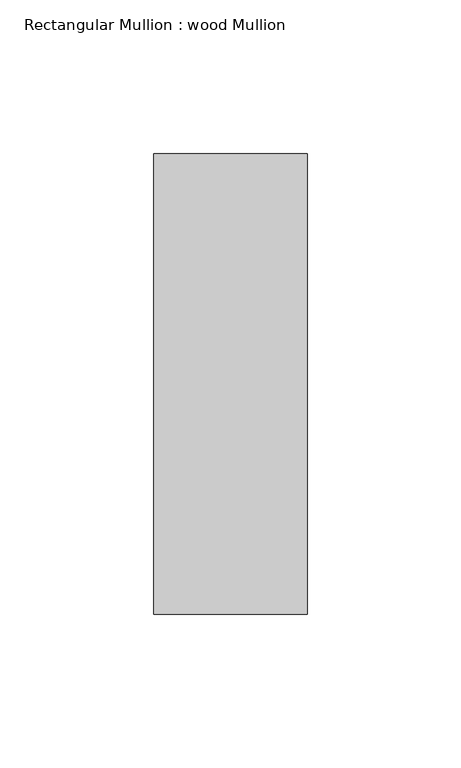
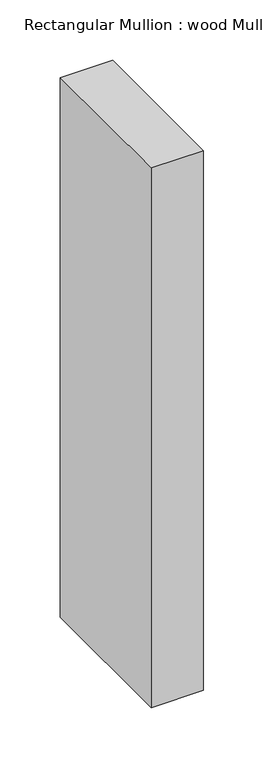
"""IFC4 building model written with IfcOpenShell, lengths in millimetres: member geometry, Rectangular Mullion : wood Mullion."""

import ifcopenshell
import ifcopenshell.guid

model = None  # the IFC model being written
_history = None  # IfcOwnerHistory: only IFC2X3 demands one
_inside = {}  # id of a spatial element -> (the spatial element, [elements in it])
_under = {}  # id of a project, library or spatial element -> (it, [spatial elements below it])
_declared = {}  # id of a project -> (the project, [libraries it declares])
_typed = {}  # id of a type object -> (the type object, [elements of that type])
_made_of = {}  # id of a material, layer set ... -> (it, [elements and type objects made of it])


def new_model(schema):
    """Start an empty IFC model of exactly this schema.

    Asked for "IFC4X3", IfcOpenShell would pick the latest addendum, in which some entities
    have other attributes; the version numbers below select the first issue.
    IFC2X3 requires an IfcOwnerHistory on every rooted entity: one is made here for all.
    """
    global model, _history
    if schema == "IFC4X3":
        model = ifcopenshell.file(schema_version=(4, 3, 0, 0))
    else:
        model = ifcopenshell.file(schema=schema)
    _inside.clear()
    _under.clear()
    _declared.clear()
    _typed.clear()
    _made_of.clear()
    _history = None
    if model.schema == "IFC2X3":
        org = make("IfcOrganization", Name="unknown")
        user = make(
            "IfcPersonAndOrganization",
            ThePerson=make("IfcPerson", FamilyName="unknown"),
            TheOrganization=org,
        )
        app = make(
            "IfcApplication",
            ApplicationDeveloper=org,
            Version="unknown",
            ApplicationFullName="unknown",
            ApplicationIdentifier="unknown",
        )
        _history = make(
            "IfcOwnerHistory",
            OwningUser=user,
            OwningApplication=app,
            ChangeAction="ADDED",
            CreationDate=0,
        )
    return model


def make(cls, **values):
    """One entity of the class cls with the attributes given. An attribute that is None is left unset."""
    return model.create_entity(
        cls, **{name: value for name, value in values.items() if value is not None}
    )


def rooted(cls, **values):
    """An entity with a GlobalId (a new one), such as an element, a storey or a relation."""
    return make(cls, GlobalId=ifcopenshell.guid.new(), OwnerHistory=_history, **values)


def si_unit(unit_type, name, prefix=None):
    """IfcSIUnit, for example si_unit("LENGTHUNIT", "METRE", prefix="MILLI")."""
    return make("IfcSIUnit", UnitType=unit_type, Prefix=prefix, Name=name)


def assignment(units):
    """IfcUnitAssignment: the units of a project."""
    return None if units is None else make("IfcUnitAssignment", Units=units)


def point(xyz):
    """IfcCartesianPoint."""
    return None if xyz is None else make("IfcCartesianPoint", Coordinates=xyz)


def direction(xyz):
    """IfcDirection."""
    return None if xyz is None else make("IfcDirection", DirectionRatios=xyz)


def frame(location, z_axis=None, x_axis=None):
    """IfcAxis2Placement3D, a coordinate frame: its origin and axes. An axis left out is left unset."""
    return make(
        "IfcAxis2Placement3D",
        Location=point(location),
        Axis=direction(z_axis),
        RefDirection=direction(x_axis),
    )


def origin():
    """The frame at (0, 0, 0) with its axes left unset."""
    return frame((0.0, 0.0, 0.0))


def place(relative_to, where):
    """IfcLocalPlacement: puts the frame where relative to a parent placement (None: the world)."""
    return make(
        "IfcLocalPlacement", PlacementRelTo=relative_to, RelativePlacement=where
    )


def context(
    kind, dimensions, precision=None, world=None, true_north=None, identifier=None
):
    """IfcGeometricRepresentationContext, for example the 3D "Model" context."""
    return make(
        "IfcGeometricRepresentationContext",
        ContextIdentifier=identifier,
        ContextType=kind,
        CoordinateSpaceDimension=dimensions,
        Precision=precision,
        WorldCoordinateSystem=world,
        TrueNorth=true_north,
    )


def project(units=None, contexts=None):
    """IfcProject with its units and contexts."""
    return rooted(
        "IfcProject",
        Name="project",
        RepresentationContexts=contexts,
        UnitsInContext=assignment(units),
    )


def spatial(cls, under=None, at=None, **own):
    """A site, building, storey or space (cls), placed at a placement, below another one or the project."""
    s = rooted(cls, ObjectPlacement=at, **own)
    if under is not None:
        _under.setdefault(under.id(), (under, []))[1].append(s)
    return s


def polyline(points):
    """IfcPolyline through the points."""
    return make("IfcPolyline", Points=[point(p) for p in points])


def outline(outer, holes=None, kind="AREA"):
    """IfcArbitraryClosedProfileDef: a profile drawn as a closed curve; with holes, ...WithVoids."""
    if holes is None:
        return make("IfcArbitraryClosedProfileDef", ProfileType=kind, OuterCurve=outer)
    return make(
        "IfcArbitraryProfileDefWithVoids",
        ProfileType=kind,
        OuterCurve=outer,
        InnerCurves=holes,
    )


def extrude(swept, where, along, depth):
    """IfcExtrudedAreaSolid: the profile swept, set in the frame where, extruded along a direction by depth."""
    return make(
        "IfcExtrudedAreaSolid",
        SweptArea=swept,
        Position=where,
        ExtrudedDirection=direction(along),
        Depth=depth,
    )


def shape(context_of_items, identifier, shape_type, items):
    """IfcShapeRepresentation: the items that make up one representation, for example the "Body"."""
    return make(
        "IfcShapeRepresentation",
        ContextOfItems=context_of_items,
        RepresentationIdentifier=identifier,
        RepresentationType=shape_type,
        Items=items,
    )


def source(mapping_origin, context_of_items, identifier, shape_type, items):
    """IfcRepresentationMap: a shape defined once, which mapped items show again and again."""
    return make(
        "IfcRepresentationMap",
        MappingOrigin=mapping_origin,
        MappedRepresentation=shape(context_of_items, identifier, shape_type, items),
    )


def transform(
    local_origin,
    x_axis=None,
    y_axis=None,
    z_axis=None,
    scale=None,
    scale2=None,
    scale3=None,
    uniform=True,
):
    """IfcCartesianTransformationOperator3D, or its non-uniform kind. x_axis, y_axis, z_axis: its Axis1, 2, 3."""
    if uniform:
        return make(
            "IfcCartesianTransformationOperator3D",
            Axis1=direction(x_axis),
            Axis2=direction(y_axis),
            LocalOrigin=point(local_origin),
            Scale=scale,
            Axis3=direction(z_axis),
        )
    return make(
        "IfcCartesianTransformationOperator3DnonUniform",
        Axis1=direction(x_axis),
        Axis2=direction(y_axis),
        LocalOrigin=point(local_origin),
        Scale=scale,
        Axis3=direction(z_axis),
        Scale2=scale2,
        Scale3=scale3,
    )


def mapped(mapping_source, mapping_target):
    """IfcMappedItem: shows the shape of a source again, moved by a transform."""
    return make(
        "IfcMappedItem", MappingSource=mapping_source, MappingTarget=mapping_target
    )


def made_of(thing, what):
    """Note that an element or type object is made of a material, layer set ...; save() writes the relation."""
    if what is not None:
        _made_of.setdefault(what.id(), (what, []))[1].append(thing)
    return thing


def element(
    cls,
    number,
    at=None,
    inside=None,
    cuts=None,
    type_object=None,
    material=None,
    context=None,
    identifier="Body",
    shape_type=None,
    held_by="IfcProductDefinitionShape",
    body=None,
    shapes=None,
    **own,
):
    """One element of the class cls, such as IfcWall. Its Tag is "e" and its number.

    at: its placement. inside: the storey or other place that contains it. cuts: it is an
    opening in that element (IfcRelVoidsElement). A single representation is given by context,
    identifier, shape_type and body (its items); several are given by shapes. held_by: the class
    of the entity that holds the representations. save() writes the other relations.
    """
    e = rooted(cls, Tag="e%d" % number, ObjectPlacement=at, **own)
    if body is not None:
        shapes = [shape(context, identifier, shape_type, body)]
    if shapes is not None:
        e.Representation = make(held_by, Representations=shapes)
    if inside is not None:
        _inside.setdefault(inside.id(), (inside, []))[1].append(e)
    if cuts is not None:
        rooted(
            "IfcRelVoidsElement", RelatingBuildingElement=cuts, RelatedOpeningElement=e
        )
    if type_object is not None:
        _typed.setdefault(type_object.id(), (type_object, []))[1].append(e)
    return made_of(e, material)


def aggregate(whole, parts):
    """IfcRelAggregates: a whole, such as a stair, and the parts it consists of."""
    return rooted("IfcRelAggregates", RelatingObject=whole, RelatedObjects=parts)


def save(model, path):
    """Write the relations noted so far, then the file.

    IfcRelAggregates (storeys below a building ...), IfcRelContainedInSpatialStructure (elements
    in a storey), IfcRelDefinesByType, IfcRelAssociatesMaterial and IfcRelDeclares: one each for
    every whole, place, type object, material and project.
    """
    for whole, parts in _under.values():
        aggregate(whole, parts)
    for where, things in _inside.values():
        rooted(
            "IfcRelContainedInSpatialStructure",
            RelatedElements=things,
            RelatingStructure=where,
        )
    for kind, things in _typed.values():
        rooted("IfcRelDefinesByType", RelatedObjects=things, RelatingType=kind)
    for what, things in _made_of.values():
        rooted("IfcRelAssociatesMaterial", RelatedObjects=things, RelatingMaterial=what)
    for by, libraries in _declared.values():
        rooted("IfcRelDeclares", RelatingContext=by, RelatedDefinitions=libraries)
    model.write(path)


def rectangular_mullion_wood_mullion_8be4e032(model_context):
    return source(origin(), model_context, "Body", "SweptSolid", [
        extrude(outline(polyline([(0.0, 75.0), (0.0, -75.0), (-50.0, -75.0), (-50.0, 75.0), (0.0, 75.0)])), frame((0.0, 0.0, -545.0), z_axis=(0.0, 0.0, 1.0), x_axis=(1.0, 0.0, 0.0)), (0.0, 0.0, 1.0), 545.0),
    ])


if __name__ == "__main__":
    model = new_model("IFC4")
    model_context = context("Model", 3, world=origin())
    ifc_project = project(units=[si_unit("LENGTHUNIT", "METRE", prefix="MILLI")], contexts=[model_context])
    site = spatial("IfcSite", under=ifc_project)
    building = spatial("IfcBuilding", under=site)
    placement = place(None, origin())
    rectangular_mullion_wood_mullion_shape = rectangular_mullion_wood_mullion_8be4e032(model_context)
    element("IfcMember", 1, ObjectType="Rectangular Mullion : wood Mullion", at=placement, inside=building, context=model_context, shape_type="MappedRepresentation", body=[
        mapped(rectangular_mullion_wood_mullion_shape, transform((0.0, 0.0, 0.0), x_axis=(1.0, 0.0, 0.0), y_axis=(0.0, 1.0, 0.0), z_axis=(0.0, 0.0, 1.0))),
    ])
    save(model, "model.ifc")
